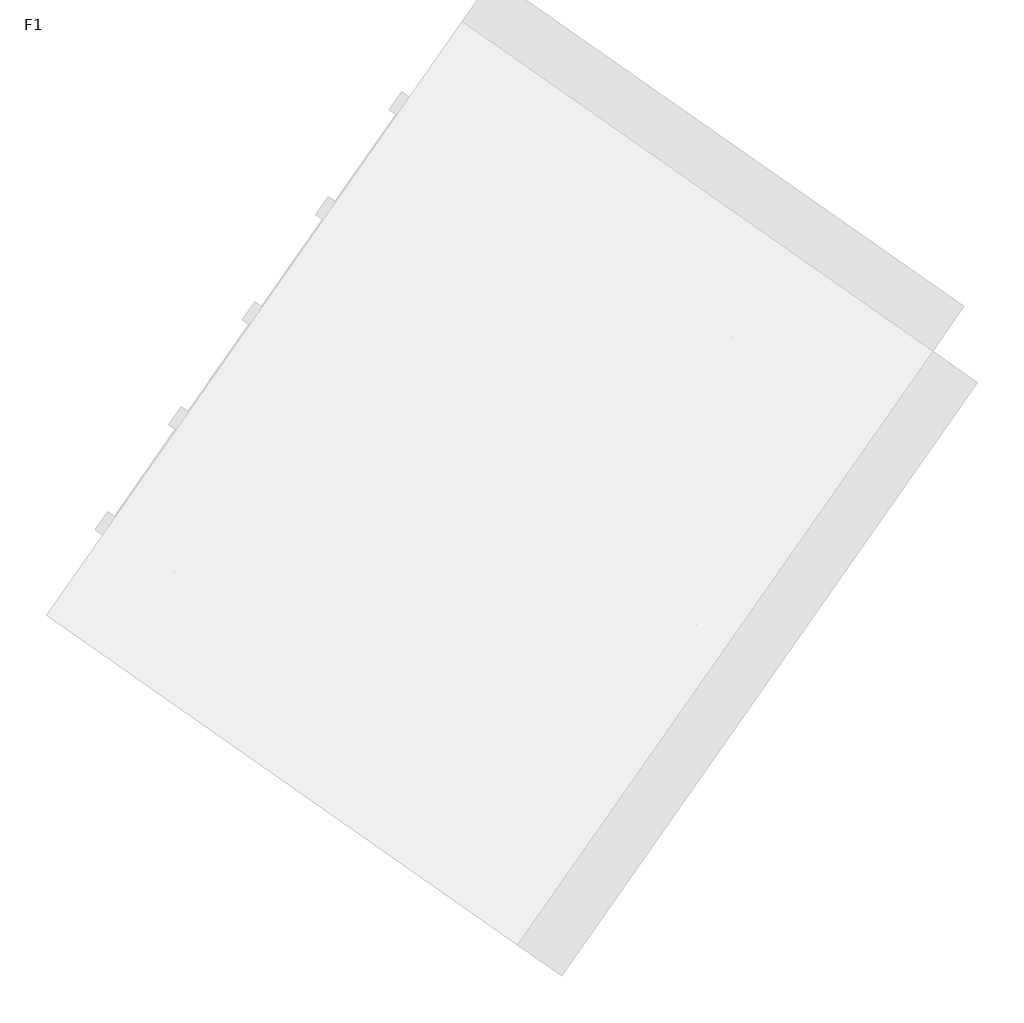
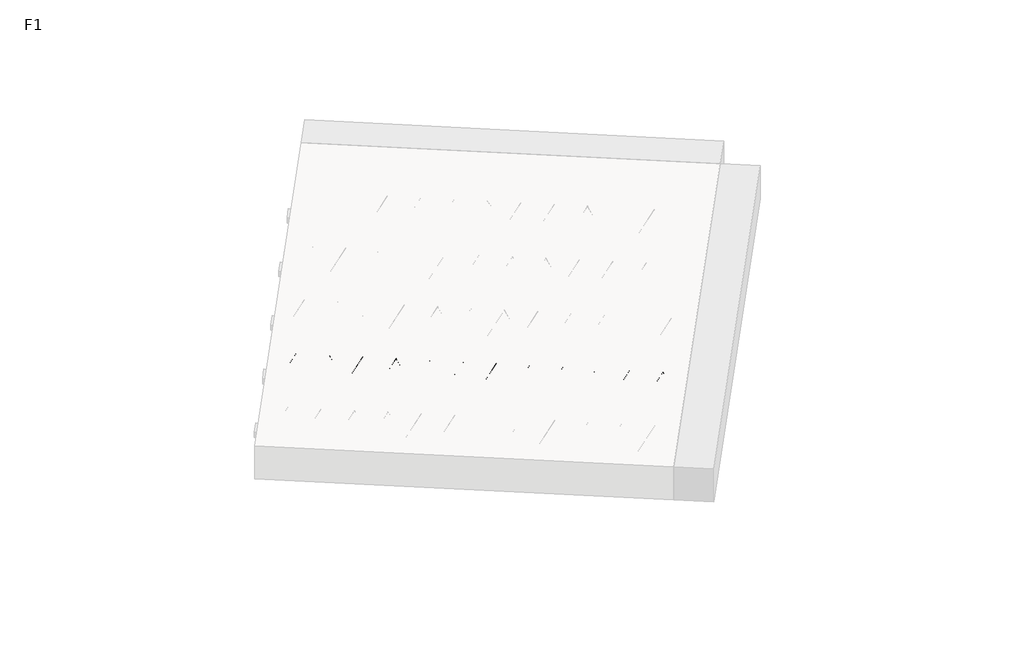
# One storey, part 21 of 30: 1 beam.
"""IFC4 building model written with IfcOpenShell, lengths in millimetres."""

from ifc_helpers import new_model, si_unit, point, frame, origin, origin_2d, place, context, project, spatial, circle_curve, trimmed, segment, composite_curve, outline, extrude, element, save

model = new_model("IFC4")

# Units and contexts
model_context = context("Model", 3, world=origin())
ifc_project = project(units=[si_unit("LENGTHUNIT", "METRE", prefix="MILLI")], contexts=[model_context])

# Site, building, storey
site = spatial("IfcSite", under=ifc_project)
building = spatial("IfcBuilding", under=site)
storey = spatial("IfcBuildingStorey", under=building, Name="F1", Elevation=99520.0)

# Beam
placement = place(None, origin())
element("IfcBeam", 1, at=placement, inside=storey, context=model_context, shape_type="SweptSolid", body=[
    extrude(outline(composite_curve([segment(trimmed(circle_curve(origin_2d(), 2.5), [point((-2.5, 0.0))], [point((2.5, 0.0))], False, "CARTESIAN"), True, "CONTINUOUS"), segment(trimmed(circle_curve(origin_2d(), 2.5), [point((2.5, 0.0))], [point((-2.5, 0.0))], False, "CARTESIAN"), True, "CONTINUOUS")], self_intersect=False)), frame((13493.2195344, 3509.5919572, 99745.0), z_axis=(-0.8191520442696126, 0.5735764363787226, 0.0), x_axis=(0.5735764363787226, 0.8191520442696126, 0.0)), (0.0, 0.0, 1.0), 3192.0),
    extrude(outline(composite_curve([segment(trimmed(circle_curve(origin_2d(), 2.5), [point((-2.4999999, 0.0))], [point((2.5, 0.0))], False, "CARTESIAN"), True, "CONTINUOUS"), segment(trimmed(circle_curve(origin_2d(), 2.5), [point((2.5, 0.0))], [point((-2.4999999, 0.0))], False, "CARTESIAN"), True, "CONTINUOUS")], self_intersect=False)), frame((13373.7932865, 3637.1630014, 99970.0), z_axis=(-0.8191520442696126, 0.5735764363787226, 0.0), x_axis=(0.5735764363787226, 0.8191520442696126, 0.0)), (0.0, 0.0, 1.0), 2850.0),
    extrude(outline(composite_curve([segment(trimmed(circle_curve(origin_2d(), 2.5), [point((-2.5000001, 1e-07))], [point((2.5, 0.0))], False, "CARTESIAN"), True, "CONTINUOUS"), segment(trimmed(circle_curve(origin_2d(), 2.5), [point((2.5, 0.0))], [point((-2.5000001, 1e-07))], False, "CARTESIAN"), True, "CONTINUOUS")], self_intersect=False)), frame((13414.5809382, 3564.6552951, 99745.0), z_axis=(-0.3145304735701046, 0.38933448886848654, 0.8657304643902053), x_axis=(0.7778747638402499, 0.6284193279813057, 0.0)), (0.0, 0.0, 1.0), 259.8961331),
    extrude(outline(composite_curve([segment(trimmed(circle_curve(origin_2d(), 2.5), [point((2.5, 0.0))], [point((-2.5, 0.0))], False, "CARTESIAN"), True, "CONTINUOUS"), segment(trimmed(circle_curve(origin_2d(), 2.5), [point((-2.5, 0.0))], [point((2.5, 0.0))], False, "CARTESIAN"), True, "CONTINUOUS")], self_intersect=False)), frame((13209.7929271, 3708.0494042, 99745.0), z_axis=(0.47343050384693375, -0.16240172737369005, 0.8657304643902051), x_axis=(-0.3244721671091268, -0.9458952440791246, 0.0)), (0.0, 0.0, 1.0), 259.8961331),
    extrude(outline(composite_curve([segment(trimmed(circle_curve(origin_2d(), 2.5), [point((-2.5, 0.0))], [point((2.5, 0.0))], False, "CARTESIAN"), True, "CONTINUOUS"), segment(trimmed(circle_curve(origin_2d(), 2.5), [point((2.5, 0.0))], [point((-2.5, 0.0))], False, "CARTESIAN"), True, "CONTINUOUS")], self_intersect=False)), frame((13209.7929271, 3708.0494042, 99745.0), z_axis=(-0.3145304735701046, 0.38933448886848654, 0.8657304643902053), x_axis=(0.7778747638402499, 0.6284193279813057, 0.0)), (0.0, 0.0, 1.0), 259.8961331),
    extrude(outline(composite_curve([segment(trimmed(circle_curve(origin_2d(), 2.5), [point((2.5, 0.0))], [point((-2.5, 0.0))], False, "CARTESIAN"), True, "CONTINUOUS"), segment(trimmed(circle_curve(origin_2d(), 2.5), [point((-2.5, 0.0))], [point((2.5, 0.0))], False, "CARTESIAN"), True, "CONTINUOUS")], self_intersect=False)), frame((13005.004916, 3851.4435133, 99745.0), z_axis=(0.47343050384693375, -0.16240172737369005, 0.8657304643902051), x_axis=(-0.3244721671091268, -0.9458952440791246, 0.0)), (0.0, 0.0, 1.0), 259.8961331),
    extrude(outline(composite_curve([segment(trimmed(circle_curve(origin_2d(), 2.5), [point((-2.5, 0.0))], [point((2.5, 0.0))], False, "CARTESIAN"), True, "CONTINUOUS"), segment(trimmed(circle_curve(origin_2d(), 2.5), [point((2.5, 0.0))], [point((-2.5, 0.0))], False, "CARTESIAN"), True, "CONTINUOUS")], self_intersect=False)), frame((13005.004916, 3851.4435133, 99745.0), z_axis=(-0.3145304735701046, 0.38933448886848654, 0.8657304643902053), x_axis=(0.7778747638402499, 0.6284193279813057, 0.0)), (0.0, 0.0, 1.0), 259.8961331),
    extrude(outline(composite_curve([segment(trimmed(circle_curve(origin_2d(), 2.5), [point((2.5, -1e-07))], [point((-2.5, 0.0))], False, "CARTESIAN"), True, "CONTINUOUS"), segment(trimmed(circle_curve(origin_2d(), 2.5), [point((-2.5, 0.0))], [point((2.5, -1e-07))], False, "CARTESIAN"), True, "CONTINUOUS")], self_intersect=False)), frame((12800.216905, 3994.8376224, 99745.0), z_axis=(0.47343050384693375, -0.16240172737369005, 0.8657304643902051), x_axis=(-0.3244721671091268, -0.9458952440791246, 0.0)), (0.0, 0.0, 1.0), 259.8961331),
    extrude(outline(composite_curve([segment(trimmed(circle_curve(origin_2d(), 2.5), [point((-2.5000001, 0.0))], [point((2.5, 0.0))], False, "CARTESIAN"), True, "CONTINUOUS"), segment(trimmed(circle_curve(origin_2d(), 2.5), [point((2.5, 0.0))], [point((-2.5000001, 0.0))], False, "CARTESIAN"), True, "CONTINUOUS")], self_intersect=False)), frame((12800.216905, 3994.8376224, 99745.0), z_axis=(-0.3145304735701046, 0.38933448886848654, 0.8657304643902053), x_axis=(0.7778747638402499, 0.6284193279813057, 0.0)), (0.0, 0.0, 1.0), 259.8961331),
    extrude(outline(composite_curve([segment(trimmed(circle_curve(origin_2d(), 2.5), [point((2.5, 0.0))], [point((-2.5, 0.0))], False, "CARTESIAN"), True, "CONTINUOUS"), segment(trimmed(circle_curve(origin_2d(), 2.5), [point((-2.5, 0.0))], [point((2.5, 0.0))], False, "CARTESIAN"), True, "CONTINUOUS")], self_intersect=False)), frame((12595.4288939, 4138.2317315, 99745.0), z_axis=(0.47343050384693375, -0.16240172737369005, 0.8657304643902051), x_axis=(-0.3244721671091268, -0.9458952440791246, 0.0)), (0.0, 0.0, 1.0), 259.8961331),
    extrude(outline(composite_curve([segment(trimmed(circle_curve(origin_2d(), 2.5), [point((-2.5, -1e-07))], [point((2.5, 0.0))], False, "CARTESIAN"), True, "CONTINUOUS"), segment(trimmed(circle_curve(origin_2d(), 2.5), [point((2.5, 0.0))], [point((-2.5, -1e-07))], False, "CARTESIAN"), True, "CONTINUOUS")], self_intersect=False)), frame((12595.4288939, 4138.2317315, 99745.0), z_axis=(-0.3145304735701046, 0.38933448886848654, 0.8657304643902053), x_axis=(0.7778747638402499, 0.6284193279813057, 0.0)), (0.0, 0.0, 1.0), 259.8961331),
    extrude(outline(composite_curve([segment(trimmed(circle_curve(origin_2d(), 2.5), [point((2.5000001, 0.0))], [point((-2.5, 0.0))], False, "CARTESIAN"), True, "CONTINUOUS"), segment(trimmed(circle_curve(origin_2d(), 2.5), [point((-2.5, 0.0))], [point((2.5000001, 0.0))], False, "CARTESIAN"), True, "CONTINUOUS")], self_intersect=False)), frame((12390.6408828, 4281.6258406, 99745.0), z_axis=(0.47343050384693375, -0.16240172737369005, 0.8657304643902051), x_axis=(-0.3244721671091268, -0.9458952440791246, 0.0)), (0.0, 0.0, 1.0), 259.8961331),
    extrude(outline(composite_curve([segment(trimmed(circle_curve(origin_2d(), 2.5), [point((-2.5, -1e-07))], [point((2.5, 0.0))], False, "CARTESIAN"), True, "CONTINUOUS"), segment(trimmed(circle_curve(origin_2d(), 2.5), [point((2.5, 0.0))], [point((-2.5, -1e-07))], False, "CARTESIAN"), True, "CONTINUOUS")], self_intersect=False)), frame((12390.6408828, 4281.6258406, 99745.0), z_axis=(-0.3145304735701046, 0.38933448886848654, 0.8657304643902053), x_axis=(0.7778747638402499, 0.6284193279813057, 0.0)), (0.0, 0.0, 1.0), 259.8961331),
    extrude(outline(composite_curve([segment(trimmed(circle_curve(origin_2d(), 2.5), [point((2.5000001, 0.0))], [point((-2.5, 0.0))], False, "CARTESIAN"), True, "CONTINUOUS"), segment(trimmed(circle_curve(origin_2d(), 2.5), [point((-2.5, 0.0))], [point((2.5000001, 0.0))], False, "CARTESIAN"), True, "CONTINUOUS")], self_intersect=False)), frame((12185.8528718, 4425.0199497, 99745.0), z_axis=(0.47343050384693375, -0.16240172737369005, 0.8657304643902051), x_axis=(-0.3244721671091268, -0.9458952440791246, 0.0)), (0.0, 0.0, 1.0), 259.8961331),
    extrude(outline(composite_curve([segment(trimmed(circle_curve(origin_2d(), 2.5), [point((-2.5, -1e-07))], [point((2.5000001, -1e-07))], False, "CARTESIAN"), True, "CONTINUOUS"), segment(trimmed(circle_curve(origin_2d(), 2.5), [point((2.5000001, -1e-07))], [point((-2.5, -1e-07))], False, "CARTESIAN"), True, "CONTINUOUS")], self_intersect=False)), frame((12185.8528717, 4425.0199497, 99745.0), z_axis=(-0.3145304735701046, 0.38933448886848654, 0.8657304643902053), x_axis=(0.7778747638402499, 0.6284193279813057, 0.0)), (0.0, 0.0, 1.0), 259.8961331),
    extrude(outline(composite_curve([segment(trimmed(circle_curve(origin_2d(), 2.5), [point((2.5, 0.0))], [point((-2.5000001, 0.0))], False, "CARTESIAN"), True, "CONTINUOUS"), segment(trimmed(circle_curve(origin_2d(), 2.5), [point((-2.5000001, 0.0))], [point((2.5, 0.0))], False, "CARTESIAN"), True, "CONTINUOUS")], self_intersect=False)), frame((11981.0648607, 4568.4140587, 99745.0), z_axis=(0.47343050384693375, -0.16240172737369005, 0.8657304643902051), x_axis=(-0.3244721671091268, -0.9458952440791246, 0.0)), (0.0, 0.0, 1.0), 259.8961331),
    extrude(outline(composite_curve([segment(trimmed(circle_curve(origin_2d(), 2.5), [point((-2.5, 0.0))], [point((2.5, 1e-07))], False, "CARTESIAN"), True, "CONTINUOUS"), segment(trimmed(circle_curve(origin_2d(), 2.5), [point((2.5, 1e-07))], [point((-2.5, 0.0))], False, "CARTESIAN"), True, "CONTINUOUS")], self_intersect=False)), frame((11981.0648607, 4568.4140587, 99745.0), z_axis=(-0.3145304735701046, 0.38933448886848654, 0.8657304643902053), x_axis=(0.7778747638402499, 0.6284193279813057, 0.0)), (0.0, 0.0, 1.0), 259.8961331),
    extrude(outline(composite_curve([segment(trimmed(circle_curve(origin_2d(), 2.5), [point((2.5, 0.0))], [point((-2.5, 0.0))], False, "CARTESIAN"), True, "CONTINUOUS"), segment(trimmed(circle_curve(origin_2d(), 2.5), [point((-2.5, 0.0))], [point((2.5, 0.0))], False, "CARTESIAN"), True, "CONTINUOUS")], self_intersect=False)), frame((11776.2768496, 4711.8081678, 99745.0), z_axis=(0.47343050384693375, -0.16240172737369005, 0.8657304643902051), x_axis=(-0.3244721671091268, -0.9458952440791246, 0.0)), (0.0, 0.0, 1.0), 259.8961331),
    extrude(outline(composite_curve([segment(trimmed(circle_curve(origin_2d(), 2.5), [point((-2.5, 0.0))], [point((2.5, 1e-07))], False, "CARTESIAN"), True, "CONTINUOUS"), segment(trimmed(circle_curve(origin_2d(), 2.5), [point((2.5, 1e-07))], [point((-2.5, 0.0))], False, "CARTESIAN"), True, "CONTINUOUS")], self_intersect=False)), frame((11776.2768496, 4711.8081678, 99745.0), z_axis=(-0.3145304735701046, 0.38933448886848654, 0.8657304643902053), x_axis=(0.7778747638402499, 0.6284193279813057, 0.0)), (0.0, 0.0, 1.0), 259.8961331),
    extrude(outline(composite_curve([segment(trimmed(circle_curve(origin_2d(), 2.5), [point((2.5, 0.0))], [point((-2.5, 1e-07))], False, "CARTESIAN"), True, "CONTINUOUS"), segment(trimmed(circle_curve(origin_2d(), 2.5), [point((-2.5, 1e-07))], [point((2.5, 0.0))], False, "CARTESIAN"), True, "CONTINUOUS")], self_intersect=False)), frame((11571.4888385, 4855.2022769, 99745.0), z_axis=(0.47343050384693375, -0.16240172737369005, 0.8657304643902051), x_axis=(-0.3244721671091268, -0.9458952440791246, 0.0)), (0.0, 0.0, 1.0), 259.8961331),
    extrude(outline(composite_curve([segment(trimmed(circle_curve(origin_2d(), 2.5), [point((-2.5, 0.0))], [point((2.5000001, 0.0))], False, "CARTESIAN"), True, "CONTINUOUS"), segment(trimmed(circle_curve(origin_2d(), 2.5), [point((2.5000001, 0.0))], [point((-2.5, 0.0))], False, "CARTESIAN"), True, "CONTINUOUS")], self_intersect=False)), frame((11571.4888385, 4855.2022769, 99745.0), z_axis=(-0.3145304735701046, 0.38933448886848654, 0.8657304643902053), x_axis=(0.7778747638402499, 0.6284193279813057, 0.0)), (0.0, 0.0, 1.0), 259.8961331),
    extrude(outline(composite_curve([segment(trimmed(circle_curve(origin_2d(), 2.5), [point((2.5, 0.0))], [point((-2.5, 0.0))], False, "CARTESIAN"), True, "CONTINUOUS"), segment(trimmed(circle_curve(origin_2d(), 2.5), [point((-2.5, 0.0))], [point((2.5, 0.0))], False, "CARTESIAN"), True, "CONTINUOUS")], self_intersect=False)), frame((11366.7008275, 4998.596386, 99745.0), z_axis=(0.47343050384693375, -0.16240172737369005, 0.8657304643902051), x_axis=(-0.3244721671091268, -0.9458952440791246, 0.0)), (0.0, 0.0, 1.0), 259.8961331),
    extrude(outline(composite_curve([segment(trimmed(circle_curve(origin_2d(), 2.5), [point((-2.5, 0.0))], [point((2.5, 0.0))], False, "CARTESIAN"), True, "CONTINUOUS"), segment(trimmed(circle_curve(origin_2d(), 2.5), [point((2.5, 0.0))], [point((-2.5, 0.0))], False, "CARTESIAN"), True, "CONTINUOUS")], self_intersect=False)), frame((11366.7008275, 4998.596386, 99745.0), z_axis=(-0.3145304735701046, 0.38933448886848654, 0.8657304643902053), x_axis=(0.7778747638402499, 0.6284193279813057, 0.0)), (0.0, 0.0, 1.0), 259.8961331),
    extrude(outline(composite_curve([segment(trimmed(circle_curve(origin_2d(), 2.5), [point((2.5, 0.0))], [point((-2.5, 0.0))], False, "CARTESIAN"), True, "CONTINUOUS"), segment(trimmed(circle_curve(origin_2d(), 2.5), [point((-2.5, 0.0))], [point((2.5, 0.0))], False, "CARTESIAN"), True, "CONTINUOUS")], self_intersect=False)), frame((11161.9128164, 5141.9904951, 99745.0), z_axis=(0.47343050384693375, -0.16240172737369005, 0.8657304643902051), x_axis=(-0.3244721671091268, -0.9458952440791246, 0.0)), (0.0, 0.0, 1.0), 259.8961331),
    extrude(outline(composite_curve([segment(trimmed(circle_curve(origin_2d(), 2.5), [point((-2.5, 0.0))], [point((2.5, 0.0))], False, "CARTESIAN"), True, "CONTINUOUS"), segment(trimmed(circle_curve(origin_2d(), 2.5), [point((2.5, 0.0))], [point((-2.5, 0.0))], False, "CARTESIAN"), True, "CONTINUOUS")], self_intersect=False)), frame((11161.9128164, 5141.9904951, 99745.0), z_axis=(-0.3145304735701046, 0.38933448886848654, 0.8657304643902053), x_axis=(0.7778747638402499, 0.6284193279813057, 0.0)), (0.0, 0.0, 1.0), 259.8961331),
    extrude(outline(composite_curve([segment(trimmed(circle_curve(origin_2d(), 2.5), [point((2.5, 0.0))], [point((-2.5, 1e-07))], False, "CARTESIAN"), True, "CONTINUOUS"), segment(trimmed(circle_curve(origin_2d(), 2.5), [point((-2.5, 1e-07))], [point((2.5, 0.0))], False, "CARTESIAN"), True, "CONTINUOUS")], self_intersect=False)), frame((10957.1248053, 5285.3846042, 99745.0), z_axis=(0.47343050384693375, -0.16240172737369005, 0.8657304643902051), x_axis=(-0.3244721671091268, -0.9458952440791246, 0.0)), (0.0, 0.0, 1.0), 259.8961331),
    extrude(outline(composite_curve([segment(trimmed(circle_curve(origin_2d(), 2.5), [point((-2.5, 0.0))], [point((2.5, 0.0))], False, "CARTESIAN"), True, "CONTINUOUS"), segment(trimmed(circle_curve(origin_2d(), 2.5), [point((2.5, 0.0))], [point((-2.5, 0.0))], False, "CARTESIAN"), True, "CONTINUOUS")], self_intersect=False)), frame((13534.5170378, 3568.5709044, 99745.0), z_axis=(-0.8191520442696126, 0.5735764363787226, 0.0), x_axis=(0.5735764363787226, 0.8191520442696126, 0.0)), (0.0, 0.0, 1.0), 3192.0),
    extrude(outline(composite_curve([segment(trimmed(circle_curve(origin_2d(), 2.5), [point((-2.5, 0.0))], [point((2.5, 0.0))], False, "CARTESIAN"), True, "CONTINUOUS"), segment(trimmed(circle_curve(origin_2d(), 2.5), [point((2.5, 0.0))], [point((-2.5, 0.0))], False, "CARTESIAN"), True, "CONTINUOUS")], self_intersect=False)), frame((13455.8784416, 3623.6342423, 99745.0), z_axis=(-0.47343050384693375, 0.16240172737369005, 0.8657304643902051), x_axis=(0.3244721671091268, 0.9458952440791246, 0.0)), (0.0, 0.0, 1.0), 259.8961331),
    extrude(outline(composite_curve([segment(trimmed(circle_curve(origin_2d(), 2.5), [point((2.5, 1e-07))], [point((-2.5, 0.0))], False, "CARTESIAN"), True, "CONTINUOUS"), segment(trimmed(circle_curve(origin_2d(), 2.5), [point((-2.5, 0.0))], [point((2.5, 1e-07))], False, "CARTESIAN"), True, "CONTINUOUS")], self_intersect=False)), frame((13251.0904305, 3767.0283514, 99745.0), z_axis=(0.3145304735701046, -0.38933448886848654, 0.8657304643902053), x_axis=(-0.7778747638402499, -0.6284193279813057, 0.0)), (0.0, 0.0, 1.0), 259.8961331),
    extrude(outline(composite_curve([segment(trimmed(circle_curve(origin_2d(), 2.5), [point((-2.5, 0.0))], [point((2.5, 0.0))], False, "CARTESIAN"), True, "CONTINUOUS"), segment(trimmed(circle_curve(origin_2d(), 2.5), [point((2.5, 0.0))], [point((-2.5, 0.0))], False, "CARTESIAN"), True, "CONTINUOUS")], self_intersect=False)), frame((13251.0904305, 3767.0283514, 99745.0), z_axis=(-0.47343050384693375, 0.16240172737369005, 0.8657304643902051), x_axis=(0.3244721671091268, 0.9458952440791246, 0.0)), (0.0, 0.0, 1.0), 259.8961331),
    extrude(outline(composite_curve([segment(trimmed(circle_curve(origin_2d(), 2.5), [point((2.5, 1e-07))], [point((-2.5, 0.0))], False, "CARTESIAN"), True, "CONTINUOUS"), segment(trimmed(circle_curve(origin_2d(), 2.5), [point((-2.5, 0.0))], [point((2.5, 1e-07))], False, "CARTESIAN"), True, "CONTINUOUS")], self_intersect=False)), frame((13046.3024194, 3910.4224605, 99745.0), z_axis=(0.3145304735701046, -0.38933448886848654, 0.8657304643902053), x_axis=(-0.7778747638402499, -0.6284193279813057, 0.0)), (0.0, 0.0, 1.0), 259.8961331),
    extrude(outline(composite_curve([segment(trimmed(circle_curve(origin_2d(), 2.5), [point((-2.5000001, 0.0))], [point((2.5, -1e-07))], False, "CARTESIAN"), True, "CONTINUOUS"), segment(trimmed(circle_curve(origin_2d(), 2.5), [point((2.5, -1e-07))], [point((-2.5000001, 0.0))], False, "CARTESIAN"), True, "CONTINUOUS")], self_intersect=False)), frame((13046.3024194, 3910.4224605, 99745.0), z_axis=(-0.47343050384693375, 0.16240172737369005, 0.8657304643902051), x_axis=(0.3244721671091268, 0.9458952440791246, 0.0)), (0.0, 0.0, 1.0), 259.8961331),
    extrude(outline(composite_curve([segment(trimmed(circle_curve(origin_2d(), 2.5), [point((2.5, 1e-07))], [point((-2.5, 0.0))], False, "CARTESIAN"), True, "CONTINUOUS"), segment(trimmed(circle_curve(origin_2d(), 2.5), [point((-2.5, 0.0))], [point((2.5, 1e-07))], False, "CARTESIAN"), True, "CONTINUOUS")], self_intersect=False)), frame((12841.5144084, 4053.8165696, 99745.0), z_axis=(0.3145304735701046, -0.38933448886848654, 0.8657304643902053), x_axis=(-0.7778747638402499, -0.6284193279813057, 0.0)), (0.0, 0.0, 1.0), 259.8961331),
    extrude(outline(composite_curve([segment(trimmed(circle_curve(origin_2d(), 2.5), [point((-2.5000001, 0.0))], [point((2.5, 0.0))], False, "CARTESIAN"), True, "CONTINUOUS"), segment(trimmed(circle_curve(origin_2d(), 2.5), [point((2.5, 0.0))], [point((-2.5000001, 0.0))], False, "CARTESIAN"), True, "CONTINUOUS")], self_intersect=False)), frame((12841.5144084, 4053.8165696, 99745.0), z_axis=(-0.47343050384693375, 0.16240172737369005, 0.8657304643902051), x_axis=(0.3244721671091268, 0.9458952440791246, 0.0)), (0.0, 0.0, 1.0), 259.8961331),
    extrude(outline(composite_curve([segment(trimmed(circle_curve(origin_2d(), 2.5), [point((2.5, 0.0))], [point((-2.5, -1e-07))], False, "CARTESIAN"), True, "CONTINUOUS"), segment(trimmed(circle_curve(origin_2d(), 2.5), [point((-2.5, -1e-07))], [point((2.5, 0.0))], False, "CARTESIAN"), True, "CONTINUOUS")], self_intersect=False)), frame((12636.7263973, 4197.2106786, 99745.0), z_axis=(0.3145304735701046, -0.38933448886848654, 0.8657304643902053), x_axis=(-0.7778747638402499, -0.6284193279813057, 0.0)), (0.0, 0.0, 1.0), 259.8961331),
    extrude(outline(composite_curve([segment(trimmed(circle_curve(origin_2d(), 2.5), [point((-2.5, 0.0))], [point((2.5000001, 0.0))], False, "CARTESIAN"), True, "CONTINUOUS"), segment(trimmed(circle_curve(origin_2d(), 2.5), [point((2.5000001, 0.0))], [point((-2.5, 0.0))], False, "CARTESIAN"), True, "CONTINUOUS")], self_intersect=False)), frame((12636.7263973, 4197.2106786, 99745.0), z_axis=(-0.47343050384693375, 0.16240172737369005, 0.8657304643902051), x_axis=(0.3244721671091268, 0.9458952440791246, 0.0)), (0.0, 0.0, 1.0), 259.8961331),
    extrude(outline(composite_curve([segment(trimmed(circle_curve(origin_2d(), 2.5), [point((2.5, 0.0))], [point((-2.5, -1e-07))], False, "CARTESIAN"), True, "CONTINUOUS"), segment(trimmed(circle_curve(origin_2d(), 2.5), [point((-2.5, -1e-07))], [point((2.5, 0.0))], False, "CARTESIAN"), True, "CONTINUOUS")], self_intersect=False)), frame((12431.9383862, 4340.6047877, 99745.0), z_axis=(0.3145304735701046, -0.38933448886848654, 0.8657304643902053), x_axis=(-0.7778747638402499, -0.6284193279813057, 0.0)), (0.0, 0.0, 1.0), 259.8961331),
    extrude(outline(composite_curve([segment(trimmed(circle_curve(origin_2d(), 2.5), [point((-2.5, 0.0))], [point((2.5000001, 0.0))], False, "CARTESIAN"), True, "CONTINUOUS"), segment(trimmed(circle_curve(origin_2d(), 2.5), [point((2.5000001, 0.0))], [point((-2.5, 0.0))], False, "CARTESIAN"), True, "CONTINUOUS")], self_intersect=False)), frame((12431.9383862, 4340.6047877, 99745.0), z_axis=(-0.47343050384693375, 0.16240172737369005, 0.8657304643902051), x_axis=(0.3244721671091268, 0.9458952440791246, 0.0)), (0.0, 0.0, 1.0), 259.8961331),
    extrude(outline(composite_curve([segment(trimmed(circle_curve(origin_2d(), 2.5), [point((2.5, 0.0))], [point((-2.5, -1e-07))], False, "CARTESIAN"), True, "CONTINUOUS"), segment(trimmed(circle_curve(origin_2d(), 2.5), [point((-2.5, -1e-07))], [point((2.5, 0.0))], False, "CARTESIAN"), True, "CONTINUOUS")], self_intersect=False)), frame((12227.1503752, 4483.9988968, 99745.0), z_axis=(0.3145304735701046, -0.38933448886848654, 0.8657304643902053), x_axis=(-0.7778747638402499, -0.6284193279813057, 0.0)), (0.0, 0.0, 1.0), 259.8961331),
    extrude(outline(composite_curve([segment(trimmed(circle_curve(origin_2d(), 2.5), [point((-2.5, 1e-07))], [point((2.5, 0.0))], False, "CARTESIAN"), True, "CONTINUOUS"), segment(trimmed(circle_curve(origin_2d(), 2.5), [point((2.5, 0.0))], [point((-2.5, 1e-07))], False, "CARTESIAN"), True, "CONTINUOUS")], self_intersect=False)), frame((12227.1503752, 4483.9988968, 99745.0), z_axis=(-0.47343050384693375, 0.16240172737369005, 0.8657304643902051), x_axis=(0.3244721671091268, 0.9458952440791246, 0.0)), (0.0, 0.0, 1.0), 259.8961331),
    extrude(outline(composite_curve([segment(trimmed(circle_curve(origin_2d(), 2.5), [point((2.5, 0.0))], [point((-2.5, -1e-07))], False, "CARTESIAN"), True, "CONTINUOUS"), segment(trimmed(circle_curve(origin_2d(), 2.5), [point((-2.5, -1e-07))], [point((2.5, 0.0))], False, "CARTESIAN"), True, "CONTINUOUS")], self_intersect=False)), frame((12022.3623641, 4627.3930059, 99745.0), z_axis=(0.3145304735701046, -0.38933448886848654, 0.8657304643902053), x_axis=(-0.7778747638402499, -0.6284193279813057, 0.0)), (0.0, 0.0, 1.0), 259.8961331),
    extrude(outline(composite_curve([segment(trimmed(circle_curve(origin_2d(), 2.5), [point((-2.5, 0.0))], [point((2.5, 0.0))], False, "CARTESIAN"), True, "CONTINUOUS"), segment(trimmed(circle_curve(origin_2d(), 2.5), [point((2.5, 0.0))], [point((-2.5, 0.0))], False, "CARTESIAN"), True, "CONTINUOUS")], self_intersect=False)), frame((12022.3623641, 4627.3930059, 99745.0), z_axis=(-0.47343050384693375, 0.16240172737369005, 0.8657304643902051), x_axis=(0.3244721671091268, 0.9458952440791246, 0.0)), (0.0, 0.0, 1.0), 259.8961331),
    extrude(outline(composite_curve([segment(trimmed(circle_curve(origin_2d(), 2.5), [point((2.5, 0.0))], [point((-2.5, 0.0))], False, "CARTESIAN"), True, "CONTINUOUS"), segment(trimmed(circle_curve(origin_2d(), 2.5), [point((-2.5, 0.0))], [point((2.5, 0.0))], False, "CARTESIAN"), True, "CONTINUOUS")], self_intersect=False)), frame((11817.574353, 4770.787115, 99745.0), z_axis=(0.3145304735701046, -0.38933448886848654, 0.8657304643902053), x_axis=(-0.7778747638402499, -0.6284193279813057, 0.0)), (0.0, 0.0, 1.0), 259.8961331),
    extrude(outline(composite_curve([segment(trimmed(circle_curve(origin_2d(), 2.5), [point((-2.5, 0.0))], [point((2.5, -1e-07))], False, "CARTESIAN"), True, "CONTINUOUS"), segment(trimmed(circle_curve(origin_2d(), 2.5), [point((2.5, -1e-07))], [point((-2.5, 0.0))], False, "CARTESIAN"), True, "CONTINUOUS")], self_intersect=False)), frame((11817.574353, 4770.787115, 99745.0), z_axis=(-0.47343050384693375, 0.16240172737369005, 0.8657304643902051), x_axis=(0.3244721671091268, 0.9458952440791246, 0.0)), (0.0, 0.0, 1.0), 259.8961331),
    extrude(outline(composite_curve([segment(trimmed(circle_curve(origin_2d(), 2.5), [point((2.5, 0.0))], [point((-2.5, 0.0))], False, "CARTESIAN"), True, "CONTINUOUS"), segment(trimmed(circle_curve(origin_2d(), 2.5), [point((-2.5, 0.0))], [point((2.5, 0.0))], False, "CARTESIAN"), True, "CONTINUOUS")], self_intersect=False)), frame((11612.786342, 4914.1812241, 99745.0), z_axis=(0.3145304735701046, -0.38933448886848654, 0.8657304643902053), x_axis=(-0.7778747638402499, -0.6284193279813057, 0.0)), (0.0, 0.0, 1.0), 259.8961331),
    extrude(outline(composite_curve([segment(trimmed(circle_curve(origin_2d(), 2.5), [point((-2.5, 1e-07))], [point((2.5, 0.0))], False, "CARTESIAN"), True, "CONTINUOUS"), segment(trimmed(circle_curve(origin_2d(), 2.5), [point((2.5, 0.0))], [point((-2.5, 1e-07))], False, "CARTESIAN"), True, "CONTINUOUS")], self_intersect=False)), frame((11612.786342, 4914.1812241, 99745.0), z_axis=(-0.47343050384693375, 0.16240172737369005, 0.8657304643902051), x_axis=(0.3244721671091268, 0.9458952440791246, 0.0)), (0.0, 0.0, 1.0), 259.8961331),
    extrude(outline(composite_curve([segment(trimmed(circle_curve(origin_2d(), 2.5), [point((2.5, 0.0))], [point((-2.5, 0.0))], False, "CARTESIAN"), True, "CONTINUOUS"), segment(trimmed(circle_curve(origin_2d(), 2.5), [point((-2.5, 0.0))], [point((2.5, 0.0))], False, "CARTESIAN"), True, "CONTINUOUS")], self_intersect=False)), frame((11407.9983309, 5057.5753332, 99745.0), z_axis=(0.3145304735701046, -0.38933448886848654, 0.8657304643902053), x_axis=(-0.7778747638402499, -0.6284193279813057, 0.0)), (0.0, 0.0, 1.0), 259.8961331),
    extrude(outline(composite_curve([segment(trimmed(circle_curve(origin_2d(), 2.5), [point((-2.5, 0.0))], [point((2.5, 0.0))], False, "CARTESIAN"), True, "CONTINUOUS"), segment(trimmed(circle_curve(origin_2d(), 2.5), [point((2.5, 0.0))], [point((-2.5, 0.0))], False, "CARTESIAN"), True, "CONTINUOUS")], self_intersect=False)), frame((11407.9983309, 5057.5753332, 99745.0), z_axis=(-0.47343050384693375, 0.16240172737369005, 0.8657304643902051), x_axis=(0.3244721671091268, 0.9458952440791246, 0.0)), (0.0, 0.0, 1.0), 259.8961331),
    extrude(outline(composite_curve([segment(trimmed(circle_curve(origin_2d(), 2.5), [point((2.5, 0.0))], [point((-2.5, 0.0))], False, "CARTESIAN"), True, "CONTINUOUS"), segment(trimmed(circle_curve(origin_2d(), 2.5), [point((-2.5, 0.0))], [point((2.5, 0.0))], False, "CARTESIAN"), True, "CONTINUOUS")], self_intersect=False)), frame((11203.2103198, 5200.9694423, 99745.0), z_axis=(0.3145304735701046, -0.38933448886848654, 0.8657304643902053), x_axis=(-0.7778747638402499, -0.6284193279813057, 0.0)), (0.0, 0.0, 1.0), 259.8961331),
    extrude(outline(composite_curve([segment(trimmed(circle_curve(origin_2d(), 2.5), [point((-2.5, 0.0))], [point((2.5, 0.0))], False, "CARTESIAN"), True, "CONTINUOUS"), segment(trimmed(circle_curve(origin_2d(), 2.5), [point((2.5, 0.0))], [point((-2.5, 0.0))], False, "CARTESIAN"), True, "CONTINUOUS")], self_intersect=False)), frame((11203.2103198, 5200.9694423, 99745.0), z_axis=(-0.47343050384693375, 0.16240172737369005, 0.8657304643902051), x_axis=(0.3244721671091268, 0.9458952440791246, 0.0)), (0.0, 0.0, 1.0), 259.8961331),
    extrude(outline(composite_curve([segment(trimmed(circle_curve(origin_2d(), 2.5), [point((2.5, 0.0))], [point((-2.5, 0.0))], False, "CARTESIAN"), True, "CONTINUOUS"), segment(trimmed(circle_curve(origin_2d(), 2.5), [point((-2.5, 0.0))], [point((2.5, 0.0))], False, "CARTESIAN"), True, "CONTINUOUS")], self_intersect=False)), frame((10998.4223088, 5344.3635514, 99745.0), z_axis=(0.3145304735701046, -0.38933448886848654, 0.8657304643902053), x_axis=(-0.7778747638402499, -0.6284193279813057, 0.0)), (0.0, 0.0, 1.0), 259.8961331),
])

save(model, "model.ifc")
